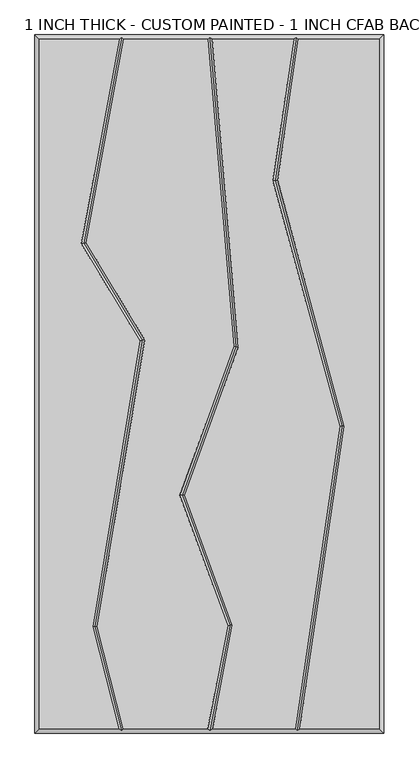
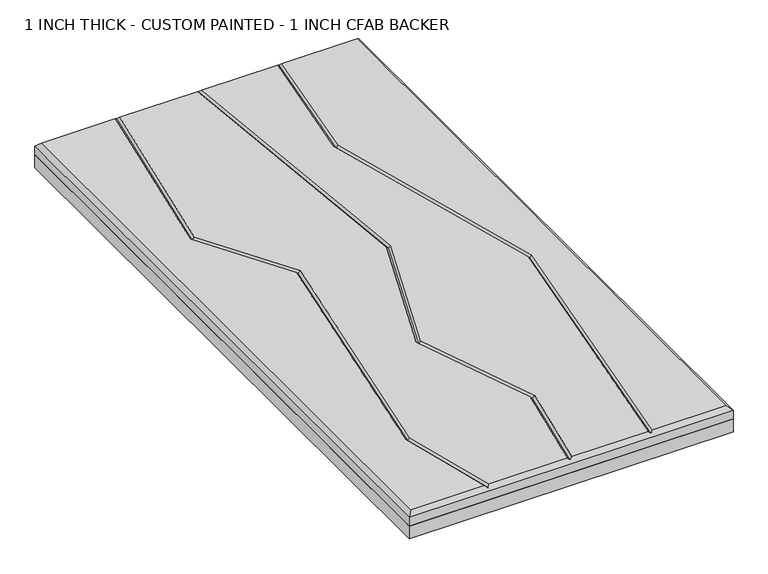
"""IFC4 building model written with IfcOpenShell, lengths in millimetres: proxy geometry, 1 INCH THICK - CUSTOM PAINTED - 1 INCH CFAB BACKER."""

import ifcopenshell
import ifcopenshell.guid

model = None  # the IFC model being written
_history = None  # IfcOwnerHistory: only IFC2X3 demands one
_inside = {}  # id of a spatial element -> (the spatial element, [elements in it])
_under = {}  # id of a project, library or spatial element -> (it, [spatial elements below it])
_declared = {}  # id of a project -> (the project, [libraries it declares])
_typed = {}  # id of a type object -> (the type object, [elements of that type])
_made_of = {}  # id of a material, layer set ... -> (it, [elements and type objects made of it])


def new_model(schema):
    """Start an empty IFC model of exactly this schema.

    Asked for "IFC4X3", IfcOpenShell would pick the latest addendum, in which some entities
    have other attributes; the version numbers below select the first issue.
    IFC2X3 requires an IfcOwnerHistory on every rooted entity: one is made here for all.
    """
    global model, _history
    if schema == "IFC4X3":
        model = ifcopenshell.file(schema_version=(4, 3, 0, 0))
    else:
        model = ifcopenshell.file(schema=schema)
    _inside.clear()
    _under.clear()
    _declared.clear()
    _typed.clear()
    _made_of.clear()
    _history = None
    if model.schema == "IFC2X3":
        org = make("IfcOrganization", Name="unknown")
        user = make(
            "IfcPersonAndOrganization",
            ThePerson=make("IfcPerson", FamilyName="unknown"),
            TheOrganization=org,
        )
        app = make(
            "IfcApplication",
            ApplicationDeveloper=org,
            Version="unknown",
            ApplicationFullName="unknown",
            ApplicationIdentifier="unknown",
        )
        _history = make(
            "IfcOwnerHistory",
            OwningUser=user,
            OwningApplication=app,
            ChangeAction="ADDED",
            CreationDate=0,
        )
    return model


def make(cls, **values):
    """One entity of the class cls with the attributes given. An attribute that is None is left unset."""
    return model.create_entity(
        cls, **{name: value for name, value in values.items() if value is not None}
    )


def rooted(cls, **values):
    """An entity with a GlobalId (a new one), such as an element, a storey or a relation."""
    return make(cls, GlobalId=ifcopenshell.guid.new(), OwnerHistory=_history, **values)


def si_unit(unit_type, name, prefix=None):
    """IfcSIUnit, for example si_unit("LENGTHUNIT", "METRE", prefix="MILLI")."""
    return make("IfcSIUnit", UnitType=unit_type, Prefix=prefix, Name=name)


def assignment(units):
    """IfcUnitAssignment: the units of a project."""
    return None if units is None else make("IfcUnitAssignment", Units=units)


def point(xyz):
    """IfcCartesianPoint."""
    return None if xyz is None else make("IfcCartesianPoint", Coordinates=xyz)


def direction(xyz):
    """IfcDirection."""
    return None if xyz is None else make("IfcDirection", DirectionRatios=xyz)


def frame(location, z_axis=None, x_axis=None):
    """IfcAxis2Placement3D, a coordinate frame: its origin and axes. An axis left out is left unset."""
    return make(
        "IfcAxis2Placement3D",
        Location=point(location),
        Axis=direction(z_axis),
        RefDirection=direction(x_axis),
    )


def origin():
    """The frame at (0, 0, 0) with its axes left unset."""
    return frame((0.0, 0.0, 0.0))


def place(relative_to, where):
    """IfcLocalPlacement: puts the frame where relative to a parent placement (None: the world)."""
    return make(
        "IfcLocalPlacement", PlacementRelTo=relative_to, RelativePlacement=where
    )


def context(
    kind, dimensions, precision=None, world=None, true_north=None, identifier=None
):
    """IfcGeometricRepresentationContext, for example the 3D "Model" context."""
    return make(
        "IfcGeometricRepresentationContext",
        ContextIdentifier=identifier,
        ContextType=kind,
        CoordinateSpaceDimension=dimensions,
        Precision=precision,
        WorldCoordinateSystem=world,
        TrueNorth=true_north,
    )


def project(units=None, contexts=None):
    """IfcProject with its units and contexts."""
    return rooted(
        "IfcProject",
        Name="project",
        RepresentationContexts=contexts,
        UnitsInContext=assignment(units),
    )


def spatial(cls, under=None, at=None, **own):
    """A site, building, storey or space (cls), placed at a placement, below another one or the project."""
    s = rooted(cls, ObjectPlacement=at, **own)
    if under is not None:
        _under.setdefault(under.id(), (under, []))[1].append(s)
    return s


def polyline(points):
    """IfcPolyline through the points."""
    return make("IfcPolyline", Points=[point(p) for p in points])


def outline(outer, holes=None, kind="AREA"):
    """IfcArbitraryClosedProfileDef: a profile drawn as a closed curve; with holes, ...WithVoids."""
    if holes is None:
        return make("IfcArbitraryClosedProfileDef", ProfileType=kind, OuterCurve=outer)
    return make(
        "IfcArbitraryProfileDefWithVoids",
        ProfileType=kind,
        OuterCurve=outer,
        InnerCurves=holes,
    )


def extrude(swept, where, along, depth):
    """IfcExtrudedAreaSolid: the profile swept, set in the frame where, extruded along a direction by depth."""
    return make(
        "IfcExtrudedAreaSolid",
        SweptArea=swept,
        Position=where,
        ExtrudedDirection=direction(along),
        Depth=depth,
    )


def faces_of(points, faces, orient=None, outer=None):
    """IfcFace entities. A face is a list of loops; a loop is a list of indices into points, from 0.

    orient and outer hold one flag for each loop. By default every Orientation is true, the
    first loop of a face is its IfcFaceOuterBound and the others are IfcFaceBound.
    """
    made = []
    for i, loops in enumerate(faces):
        bounds = []
        for j, loop in enumerate(loops):
            is_outer = j == 0 if outer is None else outer[i][j]
            bounds.append(
                make(
                    "IfcFaceOuterBound" if is_outer else "IfcFaceBound",
                    Bound=make("IfcPolyLoop", Polygon=[points[k] for k in loop]),
                    Orientation=True if orient is None else orient[i][j],
                )
            )
        made.append(make("IfcFace", Bounds=bounds))
    return made


def faceted_brep(points, faces, orient=None, outer=None, voids=None):
    """IfcFacetedBrep: a solid bounded by flat faces; with voids (closed shells), ...WithVoids."""
    shared = [point(p) for p in points]
    hull = make("IfcClosedShell", CfsFaces=faces_of(shared, faces, orient, outer))
    if voids is None:
        return make("IfcFacetedBrep", Outer=hull)
    return make(
        "IfcFacetedBrepWithVoids",
        Outer=hull,
        Voids=[
            make(cls, CfsFaces=faces_of(shared, fs, o, b)) for cls, fs, o, b in voids
        ],
    )


def shape(context_of_items, identifier, shape_type, items):
    """IfcShapeRepresentation: the items that make up one representation, for example the "Body"."""
    return make(
        "IfcShapeRepresentation",
        ContextOfItems=context_of_items,
        RepresentationIdentifier=identifier,
        RepresentationType=shape_type,
        Items=items,
    )


def source(mapping_origin, context_of_items, identifier, shape_type, items):
    """IfcRepresentationMap: a shape defined once, which mapped items show again and again."""
    return make(
        "IfcRepresentationMap",
        MappingOrigin=mapping_origin,
        MappedRepresentation=shape(context_of_items, identifier, shape_type, items),
    )


def transform(
    local_origin,
    x_axis=None,
    y_axis=None,
    z_axis=None,
    scale=None,
    scale2=None,
    scale3=None,
    uniform=True,
):
    """IfcCartesianTransformationOperator3D, or its non-uniform kind. x_axis, y_axis, z_axis: its Axis1, 2, 3."""
    if uniform:
        return make(
            "IfcCartesianTransformationOperator3D",
            Axis1=direction(x_axis),
            Axis2=direction(y_axis),
            LocalOrigin=point(local_origin),
            Scale=scale,
            Axis3=direction(z_axis),
        )
    return make(
        "IfcCartesianTransformationOperator3DnonUniform",
        Axis1=direction(x_axis),
        Axis2=direction(y_axis),
        LocalOrigin=point(local_origin),
        Scale=scale,
        Axis3=direction(z_axis),
        Scale2=scale2,
        Scale3=scale3,
    )


def mapped(mapping_source, mapping_target):
    """IfcMappedItem: shows the shape of a source again, moved by a transform."""
    return make(
        "IfcMappedItem", MappingSource=mapping_source, MappingTarget=mapping_target
    )


def made_of(thing, what):
    """Note that an element or type object is made of a material, layer set ...; save() writes the relation."""
    if what is not None:
        _made_of.setdefault(what.id(), (what, []))[1].append(thing)
    return thing


def element(
    cls,
    number,
    at=None,
    inside=None,
    cuts=None,
    type_object=None,
    material=None,
    context=None,
    identifier="Body",
    shape_type=None,
    held_by="IfcProductDefinitionShape",
    body=None,
    shapes=None,
    **own,
):
    """One element of the class cls, such as IfcWall. Its Tag is "e" and its number.

    at: its placement. inside: the storey or other place that contains it. cuts: it is an
    opening in that element (IfcRelVoidsElement). A single representation is given by context,
    identifier, shape_type and body (its items); several are given by shapes. held_by: the class
    of the entity that holds the representations. save() writes the other relations.
    """
    e = rooted(cls, Tag="e%d" % number, ObjectPlacement=at, **own)
    if body is not None:
        shapes = [shape(context, identifier, shape_type, body)]
    if shapes is not None:
        e.Representation = make(held_by, Representations=shapes)
    if inside is not None:
        _inside.setdefault(inside.id(), (inside, []))[1].append(e)
    if cuts is not None:
        rooted(
            "IfcRelVoidsElement", RelatingBuildingElement=cuts, RelatedOpeningElement=e
        )
    if type_object is not None:
        _typed.setdefault(type_object.id(), (type_object, []))[1].append(e)
    return made_of(e, material)


def aggregate(whole, parts):
    """IfcRelAggregates: a whole, such as a stair, and the parts it consists of."""
    return rooted("IfcRelAggregates", RelatingObject=whole, RelatedObjects=parts)


def save(model, path):
    """Write the relations noted so far, then the file.

    IfcRelAggregates (storeys below a building ...), IfcRelContainedInSpatialStructure (elements
    in a storey), IfcRelDefinesByType, IfcRelAssociatesMaterial and IfcRelDeclares: one each for
    every whole, place, type object, material and project.
    """
    for whole, parts in _under.values():
        aggregate(whole, parts)
    for where, things in _inside.values():
        rooted(
            "IfcRelContainedInSpatialStructure",
            RelatedElements=things,
            RelatingStructure=where,
        )
    for kind, things in _typed.values():
        rooted("IfcRelDefinesByType", RelatedObjects=things, RelatingType=kind)
    for what, things in _made_of.values():
        rooted("IfcRelAssociatesMaterial", RelatedObjects=things, RelatingMaterial=what)
    for by, libraries in _declared.values():
        rooted("IfcRelDeclares", RelatingContext=by, RelatedDefinitions=libraries)
    model.write(path)


def proxy_1_inch_thick_custom_painted_1_inch_cfab_backer_9c55612d(model_context):
    return source(origin(), model_context, "Body", "SolidModel", [
        extrude(outline(polyline([(-304.8, 609.6), (304.8, 609.6), (304.8, -609.6), (-304.8, -609.6), (-304.8, 609.6)])), frame((0.0, 0.0, -25.4), z_axis=(0.0, 0.0, 1.0), x_axis=(1.0, 0.0, 0.0)), (0.0, 0.0, 1.0), 25.4),
        faceted_brep([(-296.799, 601.599, 25.4), (-296.799, -601.599, 25.4), (-158.5803509, -601.599, 25.4), (-204.1076125, -423.9126768, 25.4), (-121.6761617, 75.6458719, 25.4), (-223.5207333, 244.8349563, 25.4), (-157.9388411, 601.599, 25.4), (296.799, -601.599, 25.4), (296.799, 601.599, 25.4), (155.2631596, 601.599, 25.4), (118.9316967, 355.4997887, 25.4), (235.610381, -73.3512983, 25.4), (157.6255242, -601.599, 25.4), (-195.9395558, -423.5559486, 25.4), (-150.3208924, -601.599, 25.4), (-2.5427902, -601.599, 25.4), (31.8547327, -421.752345, 25.4), (-51.4382369, -194.5897006, 25.4), (42.0141797, 65.5616213, 25.4), (-3.3378717, 601.599, 25.4), (-149.8037818, 601.599, 25.4), (-215.1040836, 246.3668022, 25.4), (-113.3024346, 77.2490229, 25.4), (40.1296065, -421.0786666, 25.4), (5.6032357, -601.599, 25.4), (149.5378056, -601.599, 25.4), (227.4508614, -73.8376585, 25.4), (110.7721771, 355.0134284, 25.4), (147.175441, 601.599, 25.4), (4.6917136, 601.599, 25.4), (50.1337385, 64.4981813, 25.4), (-42.9266108, -194.5617101, 25.4), (-304.8, 609.6, 0.0), (304.8, 609.6, 0.0), (304.8, -609.6, 0.0), (-304.8, -609.6, 0.0), (-304.8, -609.6, 17.399), (-304.8, 609.6, 17.399), (304.8, -609.6, 17.399), (304.8, 609.6, 17.399), (-153.1359224, 605.5995, 21.3995), (0.3384541, 605.5995, 21.3995), (151.8098914, 605.5995, 21.3995), (152.9910738, -605.5995, 21.3995), (0.765086, -605.5995, 21.3995), (-153.4256029, -605.5995, 21.3995), (-200.0235842, -423.7343127, 21.3995), (-117.4892982, 76.4474474, 21.3995), (-219.3124085, 245.6008793, 21.3995), (35.9921696, -421.4155058, 21.3995), (-47.1824239, -194.5757053, 21.3995), (46.0739591, 65.0299013, 21.3995), (231.5306212, -73.5944784, 21.3995), (114.8519369, 355.2566085, 21.3995)], [[[0, 1, 2, 3, 4, 5, 6]], [[7, 8, 9, 10, 11, 12]], [[13, 14, 15, 16, 17, 18, 19, 20, 21, 22]], [[23, 24, 25, 26, 27, 28, 29, 30, 31]], [[32, 33, 34, 35]], [[32, 35, 36, 37]], [[35, 34, 38, 36]], [[34, 33, 39, 38]], [[33, 32, 37, 39]], [[37, 0, 6, 40, 20, 19, 41, 29, 28, 42, 9, 8, 39]], [[0, 37, 36, 1]], [[1, 36, 38, 7, 12, 43, 25, 24, 44, 15, 14, 45, 2]], [[39, 8, 7, 38]], [[46, 3, 2, 45]], [[13, 46, 45, 14]], [[3, 46, 47, 4]], [[46, 13, 22, 47]], [[4, 47, 48, 5]], [[47, 22, 21, 48]], [[5, 48, 40, 6]], [[48, 21, 20, 40]], [[49, 16, 15, 44]], [[23, 49, 44, 24]], [[16, 49, 50, 17]], [[49, 23, 31, 50]], [[17, 50, 51, 18]], [[50, 31, 30, 51]], [[18, 51, 41, 19]], [[51, 30, 29, 41]], [[52, 26, 25, 43]], [[11, 52, 43, 12]], [[26, 52, 53, 27]], [[52, 11, 10, 53]], [[27, 53, 42, 28]], [[53, 10, 9, 42]]]),
    ])


if __name__ == "__main__":
    model = new_model("IFC4")
    model_context = context("Model", 3, world=origin())
    ifc_project = project(units=[si_unit("LENGTHUNIT", "METRE", prefix="MILLI")], contexts=[model_context])
    site = spatial("IfcSite", under=ifc_project)
    building = spatial("IfcBuilding", under=site)
    placement = place(None, origin())
    proxy_1_inch_thick_custom_painted_1_inch_cfab_backer_shape = proxy_1_inch_thick_custom_painted_1_inch_cfab_backer_9c55612d(model_context)
    element("IfcBuildingElementProxy", 1, Name="1 INCH THICK - CUSTOM PAINTED - 1 INCH CFAB BACKER", ObjectType="1 INCH THICK - CUSTOM PAINTED - 1 INCH CFAB BACKER", at=placement, inside=building, context=model_context, shape_type="MappedRepresentation", body=[
        mapped(proxy_1_inch_thick_custom_painted_1_inch_cfab_backer_shape, transform((0.0, 0.0, 0.0), x_axis=(1.0, 0.0, 0.0), y_axis=(0.0, 1.0, 0.0), z_axis=(0.0, 0.0, 1.0))),
    ])
    save(model, "model.ifc")
